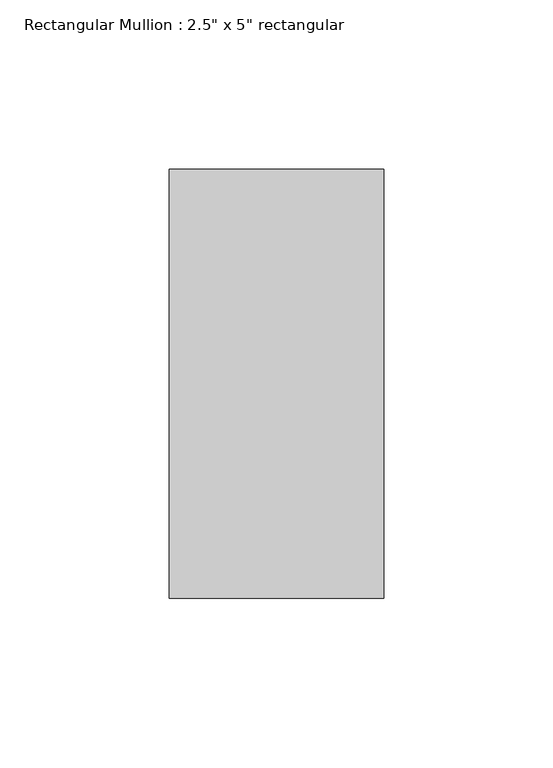
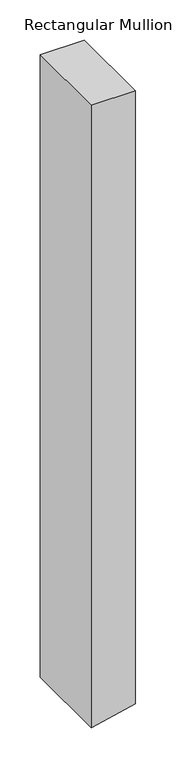
"""IFC4 building model written with IfcOpenShell, lengths in millimetres: member geometry."""

import ifcopenshell
import ifcopenshell.guid

model = None  # the IFC model being written
_history = None  # IfcOwnerHistory: only IFC2X3 demands one
_inside = {}  # id of a spatial element -> (the spatial element, [elements in it])
_under = {}  # id of a project, library or spatial element -> (it, [spatial elements below it])
_declared = {}  # id of a project -> (the project, [libraries it declares])
_typed = {}  # id of a type object -> (the type object, [elements of that type])
_made_of = {}  # id of a material, layer set ... -> (it, [elements and type objects made of it])


def new_model(schema):
    """Start an empty IFC model of exactly this schema.

    Asked for "IFC4X3", IfcOpenShell would pick the latest addendum, in which some entities
    have other attributes; the version numbers below select the first issue.
    IFC2X3 requires an IfcOwnerHistory on every rooted entity: one is made here for all.
    """
    global model, _history
    if schema == "IFC4X3":
        model = ifcopenshell.file(schema_version=(4, 3, 0, 0))
    else:
        model = ifcopenshell.file(schema=schema)
    _inside.clear()
    _under.clear()
    _declared.clear()
    _typed.clear()
    _made_of.clear()
    _history = None
    if model.schema == "IFC2X3":
        org = make("IfcOrganization", Name="unknown")
        user = make(
            "IfcPersonAndOrganization",
            ThePerson=make("IfcPerson", FamilyName="unknown"),
            TheOrganization=org,
        )
        app = make(
            "IfcApplication",
            ApplicationDeveloper=org,
            Version="unknown",
            ApplicationFullName="unknown",
            ApplicationIdentifier="unknown",
        )
        _history = make(
            "IfcOwnerHistory",
            OwningUser=user,
            OwningApplication=app,
            ChangeAction="ADDED",
            CreationDate=0,
        )
    return model


def make(cls, **values):
    """One entity of the class cls with the attributes given. An attribute that is None is left unset."""
    return model.create_entity(
        cls, **{name: value for name, value in values.items() if value is not None}
    )


def rooted(cls, **values):
    """An entity with a GlobalId (a new one), such as an element, a storey or a relation."""
    return make(cls, GlobalId=ifcopenshell.guid.new(), OwnerHistory=_history, **values)


def si_unit(unit_type, name, prefix=None):
    """IfcSIUnit, for example si_unit("LENGTHUNIT", "METRE", prefix="MILLI")."""
    return make("IfcSIUnit", UnitType=unit_type, Prefix=prefix, Name=name)


def assignment(units):
    """IfcUnitAssignment: the units of a project."""
    return None if units is None else make("IfcUnitAssignment", Units=units)


def point(xyz):
    """IfcCartesianPoint."""
    return None if xyz is None else make("IfcCartesianPoint", Coordinates=xyz)


def direction(xyz):
    """IfcDirection."""
    return None if xyz is None else make("IfcDirection", DirectionRatios=xyz)


def frame(location, z_axis=None, x_axis=None):
    """IfcAxis2Placement3D, a coordinate frame: its origin and axes. An axis left out is left unset."""
    return make(
        "IfcAxis2Placement3D",
        Location=point(location),
        Axis=direction(z_axis),
        RefDirection=direction(x_axis),
    )


def origin():
    """The frame at (0, 0, 0) with its axes left unset."""
    return frame((0.0, 0.0, 0.0))


def place(relative_to, where):
    """IfcLocalPlacement: puts the frame where relative to a parent placement (None: the world)."""
    return make(
        "IfcLocalPlacement", PlacementRelTo=relative_to, RelativePlacement=where
    )


def context(
    kind, dimensions, precision=None, world=None, true_north=None, identifier=None
):
    """IfcGeometricRepresentationContext, for example the 3D "Model" context."""
    return make(
        "IfcGeometricRepresentationContext",
        ContextIdentifier=identifier,
        ContextType=kind,
        CoordinateSpaceDimension=dimensions,
        Precision=precision,
        WorldCoordinateSystem=world,
        TrueNorth=true_north,
    )


def project(units=None, contexts=None):
    """IfcProject with its units and contexts."""
    return rooted(
        "IfcProject",
        Name="project",
        RepresentationContexts=contexts,
        UnitsInContext=assignment(units),
    )


def spatial(cls, under=None, at=None, **own):
    """A site, building, storey or space (cls), placed at a placement, below another one or the project."""
    s = rooted(cls, ObjectPlacement=at, **own)
    if under is not None:
        _under.setdefault(under.id(), (under, []))[1].append(s)
    return s


def polyline(points):
    """IfcPolyline through the points."""
    return make("IfcPolyline", Points=[point(p) for p in points])


def outline(outer, holes=None, kind="AREA"):
    """IfcArbitraryClosedProfileDef: a profile drawn as a closed curve; with holes, ...WithVoids."""
    if holes is None:
        return make("IfcArbitraryClosedProfileDef", ProfileType=kind, OuterCurve=outer)
    return make(
        "IfcArbitraryProfileDefWithVoids",
        ProfileType=kind,
        OuterCurve=outer,
        InnerCurves=holes,
    )


def extrude(swept, where, along, depth):
    """IfcExtrudedAreaSolid: the profile swept, set in the frame where, extruded along a direction by depth."""
    return make(
        "IfcExtrudedAreaSolid",
        SweptArea=swept,
        Position=where,
        ExtrudedDirection=direction(along),
        Depth=depth,
    )


def shape(context_of_items, identifier, shape_type, items):
    """IfcShapeRepresentation: the items that make up one representation, for example the "Body"."""
    return make(
        "IfcShapeRepresentation",
        ContextOfItems=context_of_items,
        RepresentationIdentifier=identifier,
        RepresentationType=shape_type,
        Items=items,
    )


def source(mapping_origin, context_of_items, identifier, shape_type, items):
    """IfcRepresentationMap: a shape defined once, which mapped items show again and again."""
    return make(
        "IfcRepresentationMap",
        MappingOrigin=mapping_origin,
        MappedRepresentation=shape(context_of_items, identifier, shape_type, items),
    )


def transform(
    local_origin,
    x_axis=None,
    y_axis=None,
    z_axis=None,
    scale=None,
    scale2=None,
    scale3=None,
    uniform=True,
):
    """IfcCartesianTransformationOperator3D, or its non-uniform kind. x_axis, y_axis, z_axis: its Axis1, 2, 3."""
    if uniform:
        return make(
            "IfcCartesianTransformationOperator3D",
            Axis1=direction(x_axis),
            Axis2=direction(y_axis),
            LocalOrigin=point(local_origin),
            Scale=scale,
            Axis3=direction(z_axis),
        )
    return make(
        "IfcCartesianTransformationOperator3DnonUniform",
        Axis1=direction(x_axis),
        Axis2=direction(y_axis),
        LocalOrigin=point(local_origin),
        Scale=scale,
        Axis3=direction(z_axis),
        Scale2=scale2,
        Scale3=scale3,
    )


def mapped(mapping_source, mapping_target):
    """IfcMappedItem: shows the shape of a source again, moved by a transform."""
    return make(
        "IfcMappedItem", MappingSource=mapping_source, MappingTarget=mapping_target
    )


def made_of(thing, what):
    """Note that an element or type object is made of a material, layer set ...; save() writes the relation."""
    if what is not None:
        _made_of.setdefault(what.id(), (what, []))[1].append(thing)
    return thing


def element(
    cls,
    number,
    at=None,
    inside=None,
    cuts=None,
    type_object=None,
    material=None,
    context=None,
    identifier="Body",
    shape_type=None,
    held_by="IfcProductDefinitionShape",
    body=None,
    shapes=None,
    **own,
):
    """One element of the class cls, such as IfcWall. Its Tag is "e" and its number.

    at: its placement. inside: the storey or other place that contains it. cuts: it is an
    opening in that element (IfcRelVoidsElement). A single representation is given by context,
    identifier, shape_type and body (its items); several are given by shapes. held_by: the class
    of the entity that holds the representations. save() writes the other relations.
    """
    e = rooted(cls, Tag="e%d" % number, ObjectPlacement=at, **own)
    if body is not None:
        shapes = [shape(context, identifier, shape_type, body)]
    if shapes is not None:
        e.Representation = make(held_by, Representations=shapes)
    if inside is not None:
        _inside.setdefault(inside.id(), (inside, []))[1].append(e)
    if cuts is not None:
        rooted(
            "IfcRelVoidsElement", RelatingBuildingElement=cuts, RelatedOpeningElement=e
        )
    if type_object is not None:
        _typed.setdefault(type_object.id(), (type_object, []))[1].append(e)
    return made_of(e, material)


def aggregate(whole, parts):
    """IfcRelAggregates: a whole, such as a stair, and the parts it consists of."""
    return rooted("IfcRelAggregates", RelatingObject=whole, RelatedObjects=parts)


def save(model, path):
    """Write the relations noted so far, then the file.

    IfcRelAggregates (storeys below a building ...), IfcRelContainedInSpatialStructure (elements
    in a storey), IfcRelDefinesByType, IfcRelAssociatesMaterial and IfcRelDeclares: one each for
    every whole, place, type object, material and project.
    """
    for whole, parts in _under.values():
        aggregate(whole, parts)
    for where, things in _inside.values():
        rooted(
            "IfcRelContainedInSpatialStructure",
            RelatedElements=things,
            RelatingStructure=where,
        )
    for kind, things in _typed.values():
        rooted("IfcRelDefinesByType", RelatedObjects=things, RelatingType=kind)
    for what, things in _made_of.values():
        rooted("IfcRelAssociatesMaterial", RelatedObjects=things, RelatingMaterial=what)
    for by, libraries in _declared.values():
        rooted("IfcRelDeclares", RelatingContext=by, RelatedDefinitions=libraries)
    model.write(path)


def member_cf0d3805(model_context):
    return source(origin(), model_context, "Body", "SweptSolid", [
        extrude(outline(polyline([(0.0, 31.75), (0.0, -31.75), (-945.7066038, -31.75), (-941.6794969, -14.208296), (-931.1286989, 31.75), (0.0, 31.75)])), frame((0.0, -63.5, 0.0), z_axis=(0.0, 1.0, 0.0), x_axis=(0.0, 0.0, 1.0)), (0.0, 0.0, 1.0), 127.0),
    ])


if __name__ == "__main__":
    model = new_model("IFC4")
    model_context = context("Model", 3, world=origin())
    ifc_project = project(units=[si_unit("LENGTHUNIT", "METRE", prefix="MILLI")], contexts=[model_context])
    site = spatial("IfcSite", under=ifc_project)
    building = spatial("IfcBuilding", under=site)
    placement = place(None, origin())
    member_shape = member_cf0d3805(model_context)
    element("IfcMember", 1, ObjectType="Rectangular Mullion : 2.5\" x 5\" rectangular", at=placement, inside=building, context=model_context, shape_type="MappedRepresentation", body=[
        mapped(member_shape, transform((0.0, 0.0, 0.0), x_axis=(1.0, 0.0, 0.0), y_axis=(0.0, 1.0, 0.0), z_axis=(0.0, 0.0, 1.0))),
    ])
    save(model, "model.ifc")
